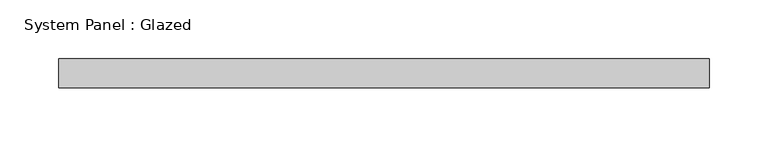
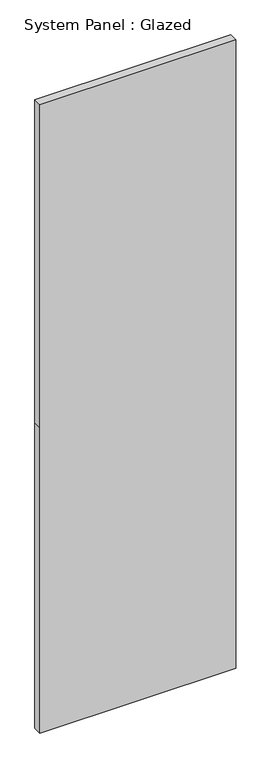
"""IFC4 building model written with IfcOpenShell, lengths in millimetres: plate geometry, System Panel : Glazed."""

from ifc_helpers import new_model, si_unit, frame, origin, place, context, project, spatial, polyline, outline, extrude, source, transform, mapped, element, save


def system_panel_glazed_a8dbd013(model_context):
    return source(origin(), model_context, "Body", "SweptSolid", [
        extrude(outline(polyline([(0.0, -278.0), (0.0, 278.0), (916.6666667, 278.0), (1885.0, 278.0), (1885.0, -278.0), (916.6666667, -278.0), (0.0, -278.0)])), frame((0.0, 24.5, 0.0), z_axis=(0.0, 1.0, 0.0), x_axis=(0.0, 0.0, 1.0)), (0.0, 0.0, 1.0), 25.0),
    ])


if __name__ == "__main__":
    model = new_model("IFC4")
    model_context = context("Model", 3, world=origin())
    ifc_project = project(units=[si_unit("LENGTHUNIT", "METRE", prefix="MILLI")], contexts=[model_context])
    site = spatial("IfcSite", under=ifc_project)
    building = spatial("IfcBuilding", under=site)
    placement = place(None, origin())
    system_panel_glazed_shape = system_panel_glazed_a8dbd013(model_context)
    element("IfcPlate", 1, ObjectType="System Panel : Glazed", at=placement, inside=building, context=model_context, shape_type="MappedRepresentation", body=[
        mapped(system_panel_glazed_shape, transform((0.0, 0.0, 0.0), x_axis=(1.0, 0.0, 0.0), y_axis=(0.0, 1.0, 0.0), z_axis=(0.0, 0.0, 1.0))),
    ])
    save(model, "model.ifc")
